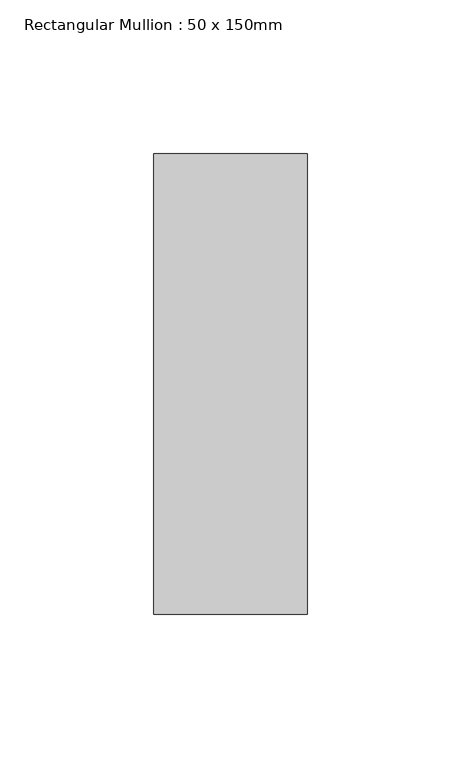
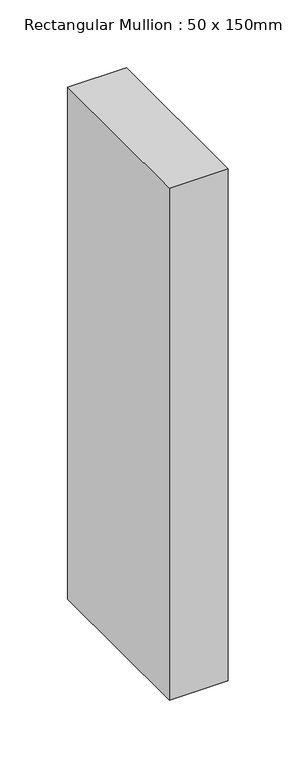
"""IFC4 building model written with IfcOpenShell, lengths in millimetres: member geometry, Rectangular Mullion : 50 x 150mm."""

import ifcopenshell
import ifcopenshell.guid

model = None  # the IFC model being written
_history = None  # IfcOwnerHistory: only IFC2X3 demands one
_inside = {}  # id of a spatial element -> (the spatial element, [elements in it])
_under = {}  # id of a project, library or spatial element -> (it, [spatial elements below it])
_declared = {}  # id of a project -> (the project, [libraries it declares])
_typed = {}  # id of a type object -> (the type object, [elements of that type])
_made_of = {}  # id of a material, layer set ... -> (it, [elements and type objects made of it])


def new_model(schema):
    """Start an empty IFC model of exactly this schema.

    Asked for "IFC4X3", IfcOpenShell would pick the latest addendum, in which some entities
    have other attributes; the version numbers below select the first issue.
    IFC2X3 requires an IfcOwnerHistory on every rooted entity: one is made here for all.
    """
    global model, _history
    if schema == "IFC4X3":
        model = ifcopenshell.file(schema_version=(4, 3, 0, 0))
    else:
        model = ifcopenshell.file(schema=schema)
    _inside.clear()
    _under.clear()
    _declared.clear()
    _typed.clear()
    _made_of.clear()
    _history = None
    if model.schema == "IFC2X3":
        org = make("IfcOrganization", Name="unknown")
        user = make(
            "IfcPersonAndOrganization",
            ThePerson=make("IfcPerson", FamilyName="unknown"),
            TheOrganization=org,
        )
        app = make(
            "IfcApplication",
            ApplicationDeveloper=org,
            Version="unknown",
            ApplicationFullName="unknown",
            ApplicationIdentifier="unknown",
        )
        _history = make(
            "IfcOwnerHistory",
            OwningUser=user,
            OwningApplication=app,
            ChangeAction="ADDED",
            CreationDate=0,
        )
    return model


def make(cls, **values):
    """One entity of the class cls with the attributes given. An attribute that is None is left unset."""
    return model.create_entity(
        cls, **{name: value for name, value in values.items() if value is not None}
    )


def rooted(cls, **values):
    """An entity with a GlobalId (a new one), such as an element, a storey or a relation."""
    return make(cls, GlobalId=ifcopenshell.guid.new(), OwnerHistory=_history, **values)


def si_unit(unit_type, name, prefix=None):
    """IfcSIUnit, for example si_unit("LENGTHUNIT", "METRE", prefix="MILLI")."""
    return make("IfcSIUnit", UnitType=unit_type, Prefix=prefix, Name=name)


def assignment(units):
    """IfcUnitAssignment: the units of a project."""
    return None if units is None else make("IfcUnitAssignment", Units=units)


def point(xyz):
    """IfcCartesianPoint."""
    return None if xyz is None else make("IfcCartesianPoint", Coordinates=xyz)


def direction(xyz):
    """IfcDirection."""
    return None if xyz is None else make("IfcDirection", DirectionRatios=xyz)


def frame(location, z_axis=None, x_axis=None):
    """IfcAxis2Placement3D, a coordinate frame: its origin and axes. An axis left out is left unset."""
    return make(
        "IfcAxis2Placement3D",
        Location=point(location),
        Axis=direction(z_axis),
        RefDirection=direction(x_axis),
    )


def origin():
    """The frame at (0, 0, 0) with its axes left unset."""
    return frame((0.0, 0.0, 0.0))


def place(relative_to, where):
    """IfcLocalPlacement: puts the frame where relative to a parent placement (None: the world)."""
    return make(
        "IfcLocalPlacement", PlacementRelTo=relative_to, RelativePlacement=where
    )


def context(
    kind, dimensions, precision=None, world=None, true_north=None, identifier=None
):
    """IfcGeometricRepresentationContext, for example the 3D "Model" context."""
    return make(
        "IfcGeometricRepresentationContext",
        ContextIdentifier=identifier,
        ContextType=kind,
        CoordinateSpaceDimension=dimensions,
        Precision=precision,
        WorldCoordinateSystem=world,
        TrueNorth=true_north,
    )


def project(units=None, contexts=None):
    """IfcProject with its units and contexts."""
    return rooted(
        "IfcProject",
        Name="project",
        RepresentationContexts=contexts,
        UnitsInContext=assignment(units),
    )


def spatial(cls, under=None, at=None, **own):
    """A site, building, storey or space (cls), placed at a placement, below another one or the project."""
    s = rooted(cls, ObjectPlacement=at, **own)
    if under is not None:
        _under.setdefault(under.id(), (under, []))[1].append(s)
    return s


def polyline(points):
    """IfcPolyline through the points."""
    return make("IfcPolyline", Points=[point(p) for p in points])


def outline(outer, holes=None, kind="AREA"):
    """IfcArbitraryClosedProfileDef: a profile drawn as a closed curve; with holes, ...WithVoids."""
    if holes is None:
        return make("IfcArbitraryClosedProfileDef", ProfileType=kind, OuterCurve=outer)
    return make(
        "IfcArbitraryProfileDefWithVoids",
        ProfileType=kind,
        OuterCurve=outer,
        InnerCurves=holes,
    )


def extrude(swept, where, along, depth):
    """IfcExtrudedAreaSolid: the profile swept, set in the frame where, extruded along a direction by depth."""
    return make(
        "IfcExtrudedAreaSolid",
        SweptArea=swept,
        Position=where,
        ExtrudedDirection=direction(along),
        Depth=depth,
    )


def shape(context_of_items, identifier, shape_type, items):
    """IfcShapeRepresentation: the items that make up one representation, for example the "Body"."""
    return make(
        "IfcShapeRepresentation",
        ContextOfItems=context_of_items,
        RepresentationIdentifier=identifier,
        RepresentationType=shape_type,
        Items=items,
    )


def source(mapping_origin, context_of_items, identifier, shape_type, items):
    """IfcRepresentationMap: a shape defined once, which mapped items show again and again."""
    return make(
        "IfcRepresentationMap",
        MappingOrigin=mapping_origin,
        MappedRepresentation=shape(context_of_items, identifier, shape_type, items),
    )


def transform(
    local_origin,
    x_axis=None,
    y_axis=None,
    z_axis=None,
    scale=None,
    scale2=None,
    scale3=None,
    uniform=True,
):
    """IfcCartesianTransformationOperator3D, or its non-uniform kind. x_axis, y_axis, z_axis: its Axis1, 2, 3."""
    if uniform:
        return make(
            "IfcCartesianTransformationOperator3D",
            Axis1=direction(x_axis),
            Axis2=direction(y_axis),
            LocalOrigin=point(local_origin),
            Scale=scale,
            Axis3=direction(z_axis),
        )
    return make(
        "IfcCartesianTransformationOperator3DnonUniform",
        Axis1=direction(x_axis),
        Axis2=direction(y_axis),
        LocalOrigin=point(local_origin),
        Scale=scale,
        Axis3=direction(z_axis),
        Scale2=scale2,
        Scale3=scale3,
    )


def mapped(mapping_source, mapping_target):
    """IfcMappedItem: shows the shape of a source again, moved by a transform."""
    return make(
        "IfcMappedItem", MappingSource=mapping_source, MappingTarget=mapping_target
    )


def made_of(thing, what):
    """Note that an element or type object is made of a material, layer set ...; save() writes the relation."""
    if what is not None:
        _made_of.setdefault(what.id(), (what, []))[1].append(thing)
    return thing


def element(
    cls,
    number,
    at=None,
    inside=None,
    cuts=None,
    type_object=None,
    material=None,
    context=None,
    identifier="Body",
    shape_type=None,
    held_by="IfcProductDefinitionShape",
    body=None,
    shapes=None,
    **own,
):
    """One element of the class cls, such as IfcWall. Its Tag is "e" and its number.

    at: its placement. inside: the storey or other place that contains it. cuts: it is an
    opening in that element (IfcRelVoidsElement). A single representation is given by context,
    identifier, shape_type and body (its items); several are given by shapes. held_by: the class
    of the entity that holds the representations. save() writes the other relations.
    """
    e = rooted(cls, Tag="e%d" % number, ObjectPlacement=at, **own)
    if body is not None:
        shapes = [shape(context, identifier, shape_type, body)]
    if shapes is not None:
        e.Representation = make(held_by, Representations=shapes)
    if inside is not None:
        _inside.setdefault(inside.id(), (inside, []))[1].append(e)
    if cuts is not None:
        rooted(
            "IfcRelVoidsElement", RelatingBuildingElement=cuts, RelatedOpeningElement=e
        )
    if type_object is not None:
        _typed.setdefault(type_object.id(), (type_object, []))[1].append(e)
    return made_of(e, material)


def aggregate(whole, parts):
    """IfcRelAggregates: a whole, such as a stair, and the parts it consists of."""
    return rooted("IfcRelAggregates", RelatingObject=whole, RelatedObjects=parts)


def save(model, path):
    """Write the relations noted so far, then the file.

    IfcRelAggregates (storeys below a building ...), IfcRelContainedInSpatialStructure (elements
    in a storey), IfcRelDefinesByType, IfcRelAssociatesMaterial and IfcRelDeclares: one each for
    every whole, place, type object, material and project.
    """
    for whole, parts in _under.values():
        aggregate(whole, parts)
    for where, things in _inside.values():
        rooted(
            "IfcRelContainedInSpatialStructure",
            RelatedElements=things,
            RelatingStructure=where,
        )
    for kind, things in _typed.values():
        rooted("IfcRelDefinesByType", RelatedObjects=things, RelatingType=kind)
    for what, things in _made_of.values():
        rooted("IfcRelAssociatesMaterial", RelatedObjects=things, RelatingMaterial=what)
    for by, libraries in _declared.values():
        rooted("IfcRelDeclares", RelatingContext=by, RelatedDefinitions=libraries)
    model.write(path)


def rectangular_mullion_50_x_150mm_30f86a0d(model_context):
    return source(origin(), model_context, "Body", "SweptSolid", [
        extrude(outline(polyline([(0.0, 75.0), (0.0, -75.0), (-50.0, -75.0), (-50.0, 75.0), (0.0, 75.0)])), frame((0.0, 0.0, -460.647493), z_axis=(0.0, 0.0, 1.0), x_axis=(1.0, 0.0, 0.0)), (0.0, 0.0, 1.0), 460.647493),
    ])


if __name__ == "__main__":
    model = new_model("IFC4")
    model_context = context("Model", 3, world=origin())
    ifc_project = project(units=[si_unit("LENGTHUNIT", "METRE", prefix="MILLI")], contexts=[model_context])
    site = spatial("IfcSite", under=ifc_project)
    building = spatial("IfcBuilding", under=site)
    placement = place(None, origin())
    rectangular_mullion_50_x_150mm_shape = rectangular_mullion_50_x_150mm_30f86a0d(model_context)
    element("IfcMember", 1, ObjectType="Rectangular Mullion : 50 x 150mm", at=placement, inside=building, context=model_context, shape_type="MappedRepresentation", body=[
        mapped(rectangular_mullion_50_x_150mm_shape, transform((0.0, 0.0, 0.0), x_axis=(1.0, 0.0, 0.0), y_axis=(0.0, 1.0, 0.0), z_axis=(0.0, 0.0, 1.0))),
    ])
    save(model, "model.ifc")
